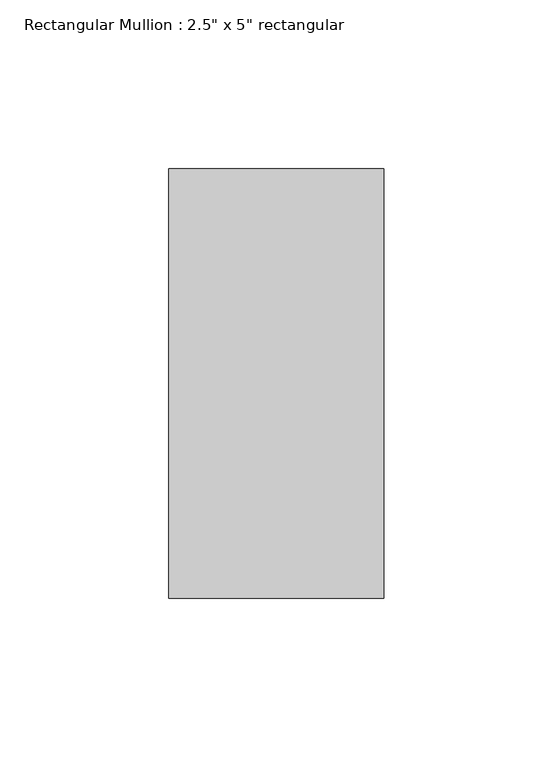
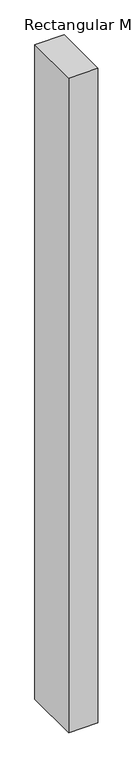
"""IFC4 building model written with IfcOpenShell, lengths in millimetres: member geometry."""

from ifc_helpers import new_model, si_unit, frame, origin, place, context, project, spatial, polyline, outline, extrude, source, transform, mapped, element, save


def member_00ba6665(model_context):
    return source(origin(), model_context, "Body", "SweptSolid", [
        extrude(outline(polyline([(0.0, 63.5), (0.0, -63.5), (-63.5, -63.5), (-63.5, 63.5), (0.0, 63.5)])), frame((0.0, 0.0, -1504.018755), z_axis=(0.0, 0.0, 1.0), x_axis=(1.0, 0.0, 0.0)), (0.0, 0.0, 1.0), 1504.018755),
    ])


if __name__ == "__main__":
    model = new_model("IFC4")
    model_context = context("Model", 3, world=origin())
    ifc_project = project(units=[si_unit("LENGTHUNIT", "METRE", prefix="MILLI")], contexts=[model_context])
    site = spatial("IfcSite", under=ifc_project)
    building = spatial("IfcBuilding", under=site)
    placement = place(None, origin())
    member_shape = member_00ba6665(model_context)
    element("IfcMember", 1, ObjectType="Rectangular Mullion : 2.5\" x 5\" rectangular", at=placement, inside=building, context=model_context, shape_type="MappedRepresentation", body=[
        mapped(member_shape, transform((0.0, 0.0, 0.0), x_axis=(1.0, 0.0, 0.0), y_axis=(0.0, 1.0, 0.0), z_axis=(0.0, 0.0, 1.0))),
    ])
    save(model, "model.ifc")
